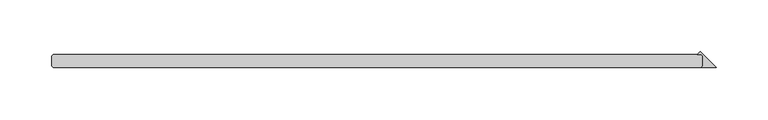
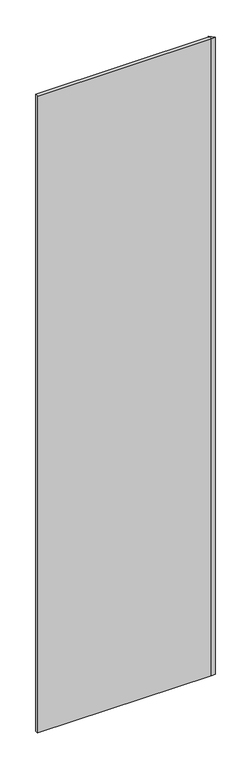
"""IFC4 building model written with IfcOpenShell, lengths in millimetres: plate geometry."""

from ifc_helpers import new_model, si_unit, origin, origin_with_axes, place, context, project, spatial, polyline, outline, extrude, source, transform, mapped, element, save


def plate_49ca040c(model_context):
    return source(origin(), model_context, "Body", "SweptSolid", [
        extrude(outline(polyline([(310.753125, -4.7625), (310.753125, 4.7625), (309.165625, 6.35), (305.333061, 6.35), (308.043093, 9.060032), (323.453125, -6.35), (309.165625, -6.35), (310.753125, -4.7625)])), origin_with_axes(), (0.0, 0.0, 1.0), 2427.1914267),
        extrude(outline(polyline([(309.165625, -6.35), (-315.515625, -6.35), (-317.103125, -4.7625), (-317.103125, 4.7625), (-315.515625, 6.35), (309.165625, 6.35), (310.753125, 4.7625), (310.753125, -4.7625), (309.165625, -6.35)])), origin_with_axes(), (0.0, 0.0, 1.0), 2427.1914267),
    ])


if __name__ == "__main__":
    model = new_model("IFC4")
    model_context = context("Model", 3, world=origin())
    ifc_project = project(units=[si_unit("LENGTHUNIT", "METRE", prefix="MILLI")], contexts=[model_context])
    site = spatial("IfcSite", under=ifc_project)
    building = spatial("IfcBuilding", under=site)
    placement = place(None, origin())
    plate_shape = plate_49ca040c(model_context)
    element("IfcPlate", 1, at=placement, inside=building, context=model_context, shape_type="MappedRepresentation", body=[
        mapped(plate_shape, transform((0.0, 0.0, 0.0), x_axis=(1.0, 0.0, 0.0), y_axis=(0.0, 1.0, 0.0), z_axis=(0.0, 0.0, 1.0))),
    ])
    save(model, "model.ifc")
